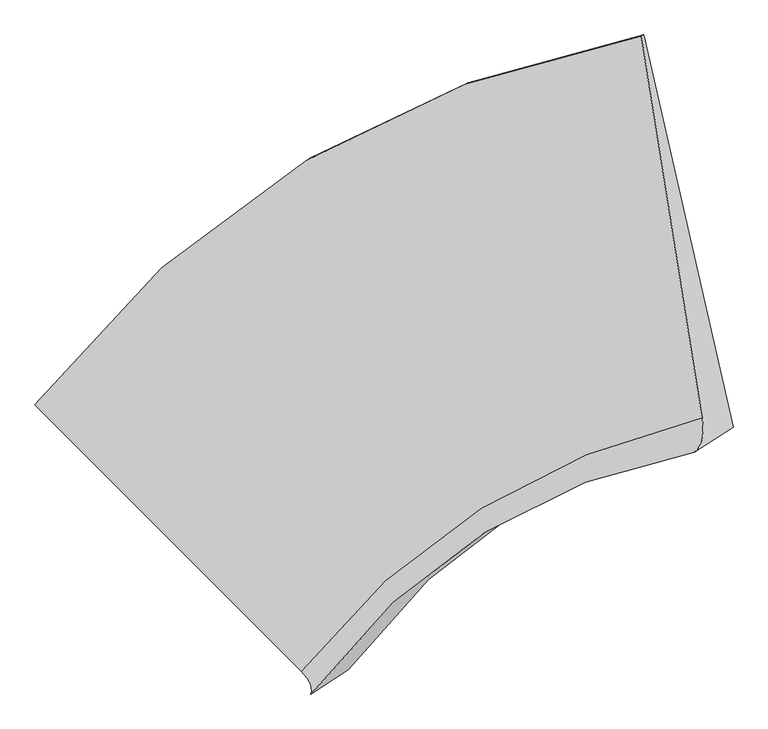
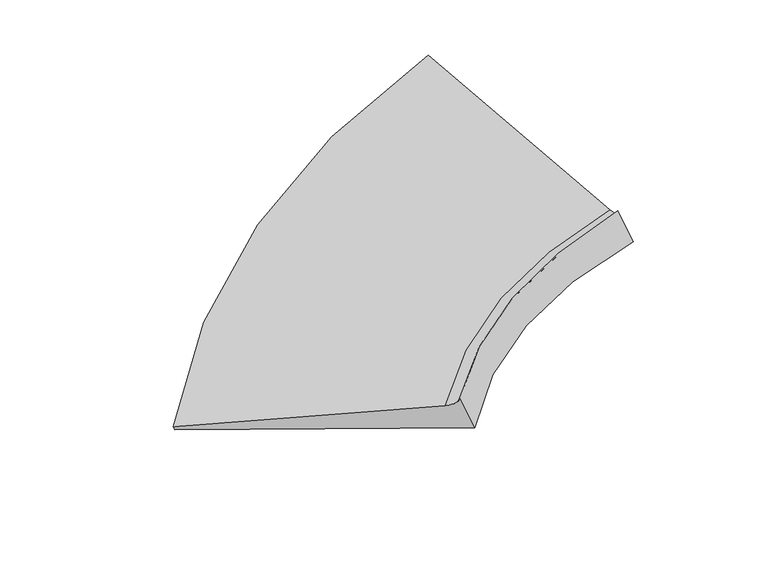
"""IFC4 building model written with IfcOpenShell, lengths in millimetres: proxy geometry."""

from ifc_helpers import new_model, si_unit, frame, origin, place, context, project, spatial, source, transform, mapped, element, save
from ifc_brep_helpers import plane_surface, spline_curve, spline_surface, advanced_brep


def generic_models_1fdd6eaf(model_context):
    return source(origin(), model_context, "Body", "AdvancedBrep", [
        advanced_brep(
        [(-3536.3743024, -5267.3426044, 547.2603799), (-3563.7647752, -5285.2187951, 603.6909399), (847.2611698, -2607.0246656, 1850.9257865), (864.3480226, -2595.8730568, 1815.7230107), (-1627.7737203, -7222.5082412, 1352.3277743), (1289.5273026, -5379.8390314, 1542.7256584), (-1555.9002775, -7389.8394447, 1521.3279288), (1232.0101409, -5632.931968, 1703.6785165), (-1284.7463371, -7212.8728193, 962.6895731), (1514.44223, -5448.6047417, 1121.8046273)],
        [
            (0, 1),
            (1, 2, spline_curve(3, [(-3563.7647752, -5285.2187951, 603.6909399), (-2994.571290524, -4549.261758173, 813.225714856), (-2335.632073309, -3956.889912374, 1023.479893539), (-860.125143162, -3072.421994087, 1439.266244996), (-48.722378634, -2772.062463478, 1644.75701496), (847.2611698, -2607.0246656, 1850.9257865)], [4, 2, 4], [0.0, 9.021942141884074, 17.780427081758564])),
            (2, 3),
            (3, 0, spline_curve(3, [(864.3480226, -2595.8730568, 1815.7230107), (-29.329772052, -2759.406021427, 1604.803865817), (-838.729198985, -3058.458088368, 1395.185767875), (-2310.783122186, -3940.672427018, 972.285442057), (-2968.291136715, -4532.110208964, 759.082663173), (-3536.3743024, -5267.3426044, 547.2603799)], [4, 2, 4], [0.0, 8.75848493987449, 17.780427081758564])),
            (1, 4),
            (4, 5, spline_curve(3, [(-1627.7737203, -7222.5082412, 1352.3277743), (-1248.924575096, -6742.783458913, 1384.709411031), (-811.940561137, -6348.335139109, 1417.000495464), (163.838827722, -5739.01980708, 1480.461245534), (699.288488164, -5519.24505713, 1511.6361223), (1289.5273026, -5379.8390314, 1542.7256584)], [4, 2, 4], [0.0, 7.415679757090571, 14.614808109940569])),
            (5, 2),
            (4, 6, spline_curve(3, [(-1627.7737203, -7222.5082412, 1352.3277743), (-1618.681492242, -7232.011995316, 1356.443725555), (-1610.399218883, -7241.296377789, 1361.121344688), (-1595.454581717, -7259.426399411, 1371.599918712), (-1588.792217907, -7268.272038594, 1377.400873632), (-1577.087399693, -7285.524573606, 1390.126119168), (-1572.044945335, -7293.9314695, 1397.050409876), (-1563.579946065, -7310.3065179, 1412.022326924), (-1560.157401159, -7318.274670405, 1420.069953319), (-1554.932220841, -7333.772232195, 1437.288541881), (-1553.129585383, -7341.301641411, 1446.459503963), (-1551.144224017, -7355.921716589, 1465.924764037), (-1550.961498108, -7363.012382519, 1476.219062003), (-1552.215955692, -7376.754971081, 1497.930993597), (-1553.653139232, -7383.406893725, 1509.348627247), (-1555.9002775, -7389.8394447, 1521.3279288)], [4, 2, 2, 2, 2, 2, 2, 4], [0.0, 0.09649746122563033, 0.19299492245126065, 0.28949238367689095, 0.3859898449025213, 0.4824873061281516, 0.5789847673537819, 0.6754822285794122])),
            (6, 7, spline_curve(3, [(-1555.9002775, -7389.8394447, 1521.3279288), (-1180.79222588, -6896.172619313, 1503.256788949), (-756.755495888, -6502.216741601, 1510.004642805), (175.36386681, -5922.319371808, 1572.216527555), (680.630609527, -5730.639423871, 1626.252203089), (1232.0101409, -5632.931968, 1703.6785165)], [4, 2, 4], [0.0, 5.717400080498256, 11.26784162764652])),
            (7, 5, spline_curve(3, [(1232.0101409, -5632.931968, 1703.6785165), (1239.691769057, -5627.274144663, 1687.725697232), (1246.667295029, -5620.702861199, 1672.95693481), (1259.206142371, -5605.733373801, 1645.78752339), (1264.769463813, -5597.33516986, 1633.386874452), (1274.483902187, -5578.71184174, 1610.953690148), (1278.635019096, -5568.486717522, 1600.921154694), (1285.525048504, -5546.209548678, 1583.224197506), (1288.263960983, -5534.157504083, 1575.559775736), (1292.329581417, -5508.226494517, 1562.599045664), (1293.656289366, -5494.347529542, 1557.302737378), (1294.897500834, -5464.762679258, 1549.078234422), (1294.812004349, -5449.056794003, 1546.15003972), (1293.228806851, -5415.818102997, 1542.66176388), (1291.731105836, -5398.285297265, 1542.101682762), (1289.5273026, -5379.8390314, 1542.7256584)], [4, 2, 2, 2, 2, 2, 2, 4], [0.0, 0.0964974612256303, 0.1929949224512606, 0.2894923836768909, 0.38598984490252125, 0.48248730612815155, 0.5789847673537819, 0.6754822285794122])),
            (6, 8),
            (8, 9, spline_curve(3, [(-1284.7463371, -7212.8728193, 962.6895731), (-927.146187899, -6730.632397576, 980.688666052), (-510.765795557, -6341.673372436, 1003.210304461), (425.679916636, -5758.952442398, 1056.508932537), (942.362380005, -5559.822108308, 1087.025645589), (1514.44223, -5448.6047417, 1121.8046273)], [4, 2, 4], [0.0, 5.6278503809114575, 11.091357243391322])),
            (9, 7),
            (8, 0),
            (3, 9),
        ],
        [
            spline_surface(3, 3, [[(-3536.3743024, -5267.3426044, 547.2603799), (-2968.291136862, -4532.110209014, 759.082663103), (-2310.783122105, -3940.672426932, 972.285442096), (-838.729199064, -3058.458088452, 1395.185767837), (-29.329772163, -2759.406021342, 1604.803865739), (864.3480226, -2595.8730568, 1815.7230107)], [(-3545.504460013, -5273.301334635, 566.070566578), (-2977.051188079, -4537.82739203, 777.130347018), (-2319.066105854, -3946.078255373, 989.350259285), (-845.861180436, -3063.112723655, 1409.879260181), (-35.793974333, -2763.624835358, 1618.121582111), (858.652404998, -2599.59025975, 1827.457269284)], [(-3554.634617587, -5279.260064865, 584.880753222), (-2985.811239256, -4543.544575043, 795.178030898), (-2327.349089573, -3951.484083886, 1006.415076478), (-852.993161778, -3067.767358929, 1424.572752529), (-42.258176495, -2767.843649325, 1631.439298532), (852.956787402, -2603.30746265, 1839.191527916)], [(-3563.7647752, -5285.2187951, 603.6909399), (-2994.571290472, -4549.261758059, 813.225714813), (-2335.632073322, -3956.889912327, 1023.479893666), (-860.125143149, -3072.421994132, 1439.266244873), (-48.722378664, -2772.062463341, 1644.757014904), (847.2611698, -2607.0246656, 1850.9257865)]], [4, 4], [4, 2, 4], [0.0, 0.1810441766419507], [0.0, 9.021942141884074, 17.780427081758564]),
            spline_surface(3, 3, [[(-3563.7647752, -5285.2187951, 603.6909399), (-2994.571290472, -4549.261758059, 813.225714813), (-2335.632073322, -3956.889912327, 1023.479893666), (-860.125143149, -3072.421994132, 1439.266244873), (-48.722378664, -2772.062463341, 1644.757014904), (847.2611698, -2607.0246656, 1850.9257865)], [(-2918.434423543, -5930.981943822, 853.236551379), (-2412.689051979, -5280.435658391, 1003.720280225), (-1827.734902577, -4754.038321252, 1154.653427621), (-518.803819517, -3961.287931784, 1452.997911757), (200.614576919, -3687.789994582, 1600.383384078), (994.683214067, -3531.296120868, 1748.192410479)], [(-2273.104071957, -6576.745092478, 1102.782162821), (-1830.806813557, -6011.609558658, 1194.214845598), (-1319.83773187, -5551.186730177, 1285.826961548), (-177.482495922, -4850.153869435, 1466.729578613), (449.951532504, -4603.51752582, 1556.009753213), (1142.105258333, -4455.567576132, 1645.459034421)], [(-1627.7737203, -7222.5082412, 1352.3277743), (-1248.924575064, -6742.78345899, 1384.70941101), (-811.940561125, -6348.335139102, 1417.000495503), (163.838827711, -5739.019807087, 1480.461245496), (699.288488088, -5519.24505706, 1511.636122387), (1289.5273026, -5379.8390314, 1542.7256584)]], [4, 4], [4, 2, 4], [0.0, 9.317932920944175], [0.0, 7.415679757090571, 14.614808109940569]),
            spline_surface(3, 3, [[(-1627.7737203, -7222.5082412, 1352.3277743), (-1248.924575064, -6742.78345899, 1384.70941101), (-811.940561125, -6348.335139102, 1417.000495503), (163.838827711, -5739.019807087, 1480.461245496), (699.288488088, -5519.24505706, 1511.636122387), (1289.5273026, -5379.8390314, 1542.7256584)], [(-1618.681492242, -7232.011995317, 1356.443725556), (-1241.202788854, -6750.824483654, 1386.955971943), (-805.485015437, -6356.423092704, 1417.919424812), (168.004228672, -5750.175480151, 1479.83137788), (702.423987964, -5533.334638436, 1510.753910763), (1291.731105836, -5398.285297265, 1542.101682762)], [(-1610.399218883, -7241.296377789, 1361.121344687), (-1234.120629552, -6758.760254191, 1389.688040345), (-799.576281894, -6364.402437928, 1419.339759819), (171.652974041, -5760.984421392, 1479.915676983), (704.984634964, -5546.849479436, 1510.777430579), (1293.228806849, -5415.818102996, 1542.66176388)], [(-1595.454581717, -7259.426399411, 1371.599918713), (-1221.235564922, -6774.421286984, 1396.123192099), (-788.85243934, -6380.143911852, 1423.183241069), (177.917153351, -5781.908840456, 1481.512608472), (708.956223128, -5572.729680497, 1512.635933176), (1294.812004351, -5449.056794004, 1546.15003972)], [(-1588.792217908, -7268.272038595, 1377.400873631), (-1215.432659591, -6782.146549271, 1399.826275475), (-784.037330343, -6387.906040505, 1425.60638727), (180.532587277, -5792.024318233, 1483.025240815), (710.367164287, -5585.095040535, 1514.47091594), (1294.897500834, -5464.762679257, 1549.078234422)], [(-1577.087399692, -7285.524573605, 1390.126119169), (-1205.106102751, -6797.386565528, 1408.203457116), (-775.500736611, -6403.213081148, 1431.455491152), (184.730143973, -5811.561810233, 1487.478839026), (712.039340862, -5608.676279907, 1519.952344382), (1293.656289366, -5494.347529543, 1557.302737378)], [(-1572.044945333, -7293.9314695, 1397.050409874), (-1200.582451291, -6804.901319565, 1412.877555467), (-771.779251961, -6410.757993131, 1434.881448748), (186.312266657, -5820.983824447, 1490.419804809), (712.30057628, -5619.892159183, 1523.598790095), (1292.329581418, -5508.226494518, 1562.599045664)], [(-1563.579946067, -7310.3065179, 1412.022326926), (-1192.814402242, -6819.720319287, 1423.196766995), (-765.42990705, -6425.630600493, 1442.736175262), (188.443200739, -5839.134389383, 1497.730069743), (711.673341266, -5641.174436866, 1532.703144383), (1288.263960982, -5534.157504082, 1575.559775736)], [(-1560.157401158, -7318.274670406, 1420.069953318), (-1189.570004653, -6827.024564974, 1428.841880219), (-762.802046747, -6432.958295904, 1447.164944251), (188.99201218, -5847.862940134, 1502.099368965), (710.784870843, -5651.24083528, 1538.161052944), (1285.525048503, -5546.209548679, 1583.224197506)], [(-1554.932220842, -7333.772232194, 1437.288541882), (-1184.360463395, -6841.42254816, 1441.103121634), (-758.639950658, -6447.396469987, 1457.025293398), (189.056323648, -5864.626578006, 1512.266300621), (707.85822424, -5670.224151273, 1550.888333077), (1278.635019097, -5568.486717521, 1600.921154694)], [(-1553.129585383, -7341.301641412, 1446.459503961), (-1182.395319677, -6848.516285597, 1447.719249732), (-757.105714801, -6454.506948727, 1462.456873581), (188.571823747, -5872.661665194, 1518.063933083), (705.820048076, -5679.141068826, 1558.157704686), (1274.483902187, -5578.71184174, 1610.953690148)], [(-1551.144224017, -7355.921716588, 1465.924764039), (-1179.74428621, -6862.493252247, 1461.922521035), (-755.130867534, -6468.510689529, 1474.32284536), (186.569512601, -5888.038376001, 1531.087531462), (700.593989883, -5695.82542313, 1574.507910665), (1264.769463813, -5597.33516986, 1633.386874452)], [(-1550.961498108, -7363.012382518, 1476.219062005), (-1179.058396462, -6869.376481434, 1469.509664207), (-754.690256124, -6475.403951598, 1480.757236937), (185.051701358, -5895.379999627, 1538.313497363), (697.406107879, -5703.592859921, 1583.588745123), (1259.206142372, -5605.733373801, 1645.78752339)], [(-1552.215955692, -7376.754971082, 1497.930993595), (-1178.965870786, -6882.932431548, 1485.654965396), (-754.902657679, -6488.97325912, 1494.628831348), (180.982767598, -5909.36978337, 1554.193762465), (689.880638097, -5717.978252535, 1603.561876947), (1246.667295028, -5620.702861199, 1672.95693481)], [(-1553.653139234, -7383.406893724, 1509.348627248), (-1179.559234909, -6889.605152485, 1494.213123443), (-755.555670715, -6495.649304517, 1502.06603422), (178.431645012, -5916.017943432, 1562.848061705), (685.543050252, -5724.596208365, 1614.454174253), (1239.691769057, -5627.274144662, 1687.725697232)], [(-1555.9002775, -7389.8394447, 1521.3279288), (-1180.792225966, -6896.172619274, 1503.256788981), (-756.755495904, -6502.216741638, 1510.004642741), (175.363866826, -5922.319371772, 1572.216527617), (680.630609566, -5730.639423827, 1626.252203088), (1232.0101409, -5632.931968, 1703.6785165)]], [4, 2, 2, 2, 2, 2, 2, 4], [4, 2, 4], [0.0, 0.09649746122563033, 0.19299492245126065, 0.28949238367689095, 0.3859898449025213, 0.4824873061281516, 0.5789847673537819, 0.6754822285794122], [0.0, 5.717400080498256, 11.26784162764652]),
            spline_surface(3, 3, [[(-1555.9002775, -7389.8394447, 1521.3279288), (-1180.792225966, -6896.172619274, 1503.256788981), (-756.755495904, -6502.216741638, 1510.004642741), (175.363866826, -5922.319371772, 1572.216527617), (680.630609566, -5730.639423827, 1626.252203088), (1232.0101409, -5632.931968, 1703.6785165)], [(-1465.515630722, -7330.850569556, 1335.11514357), (-1096.243546627, -6840.992545369, 1329.067414695), (-674.758929111, -6448.702285221, 1341.073196683), (258.802550093, -5867.863728641, 1400.313995926), (767.874533021, -5673.700318666, 1446.510017218), (1326.154170601, -5571.489559233, 1509.720553415)], [(-1375.130983878, -7271.861694444, 1148.90235833), (-1011.694867223, -6785.812471496, 1154.8780404), (-592.76236233, -6395.187828838, 1172.141750568), (342.24123335, -5813.408085543, 1228.411464179), (855.118456475, -5616.761213506, 1266.767831404), (1420.298200299, -5510.047150467, 1315.762590385)], [(-1284.7463371, -7212.8728193, 962.6895731), (-927.146187883, -6730.63239759, 980.688666115), (-510.765795538, -6341.673372421, 1003.21030451), (425.679916617, -5758.952442413, 1056.508932488), (942.36237993, -5559.822108345, 1087.025645534), (1514.44223, -5448.6047417, 1121.8046273)]], [4, 4], [4, 2, 4], [0.0, 1.9382634901954723], [0.0, 5.6278503809114575, 11.091357243391322]),
            spline_surface(3, 3, [[(-1284.7463371, -7212.8728193, 962.6895731), (-927.146187883, -6730.63239759, 980.688666115), (-510.765795538, -6341.673372421, 1003.21030451), (425.679916617, -5758.952442413, 1056.508932488), (942.36237993, -5559.822108345, 1087.025645534), (1514.44223, -5448.6047417, 1121.8046273)], [(-2035.288992192, -6564.362747661, 824.213175345), (-1607.527837534, -5997.791668059, 906.819998423), (-1110.771571074, -5541.339723942, 992.902017019), (4.210211376, -4858.787657777, 1169.401210917), (618.464995892, -4626.350079317, 1259.61838562), (1297.744160859, -4497.694180039, 1353.110755118)], [(-2785.831647308, -5915.852676039, 685.736777655), (-2287.909487211, -5264.950938545, 832.951330795), (-1710.777346569, -4741.00607541, 982.593729588), (-417.259493823, -3958.622873088, 1282.293489408), (294.567611876, -3692.87805037, 1432.211125652), (1081.046091741, -3546.783618461, 1584.416882882)], [(-3536.3743024, -5267.3426044, 547.2603799), (-2968.291136862, -4532.110209014, 759.082663103), (-2310.783122105, -3940.672426932, 972.285442096), (-838.729199064, -3058.458088452, 1395.185767837), (-29.329772163, -2759.406021342, 1604.803865739), (864.3480226, -2595.8730568, 1815.7230107)]], [4, 4], [4, 2, 4], [0.0, 9.775334898826936], [0.0, 7.298496909896134, 14.383864368891658]),
            plane_surface(frame((1149.5177732, -4332.8546927, 1606.9715199), z_axis=(0.8844394252984584, 0.09017746867119807, 0.4578590690614176), x_axis=(-0.41994301145770674, -0.27407271869202926, 0.8651774453813462))),
            plane_surface(frame((-2313.7118825, -6475.5563809, 997.4593192), z_axis=(-0.5224073936113046, -0.7065360167450029, -0.477385978158501), x_axis=(0.7493987081916499, -0.6475216386947503, 0.13826533760401352))),
        ],
        [
            (0, [[1, 2, 3, 4]]),
            (1, [[5, 6, 7, -2]]),
            (2, [[8, 9, 10, -6]]),
            (3, [[11, 12, 13, -9]]),
            (4, [[14, -4, 15, -12]]),
            (5, [[-3, -7, -10, -13, -15]]),
            (6, [[-14, -11, -8, -5, -1]]),
        ],
    ),
    ])


if __name__ == "__main__":
    model = new_model("IFC4")
    model_context = context("Model", 3, world=origin())
    ifc_project = project(units=[si_unit("LENGTHUNIT", "METRE", prefix="MILLI")], contexts=[model_context])
    site = spatial("IfcSite", under=ifc_project)
    building = spatial("IfcBuilding", under=site)
    placement = place(None, origin())
    generic_models_shape = generic_models_1fdd6eaf(model_context)
    element("IfcBuildingElementProxy", 1, Name="Generic Models", at=placement, inside=building, context=model_context, shape_type="MappedRepresentation", body=[
        mapped(generic_models_shape, transform((0.0, 0.0, 0.0), x_axis=(1.0, 0.0, 0.0), y_axis=(0.0, 1.0, 0.0), z_axis=(0.0, 0.0, 1.0))),
    ])
    save(model, "model.ifc")
